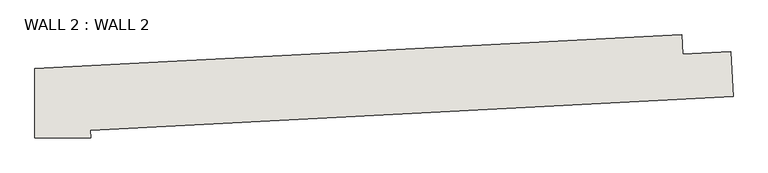
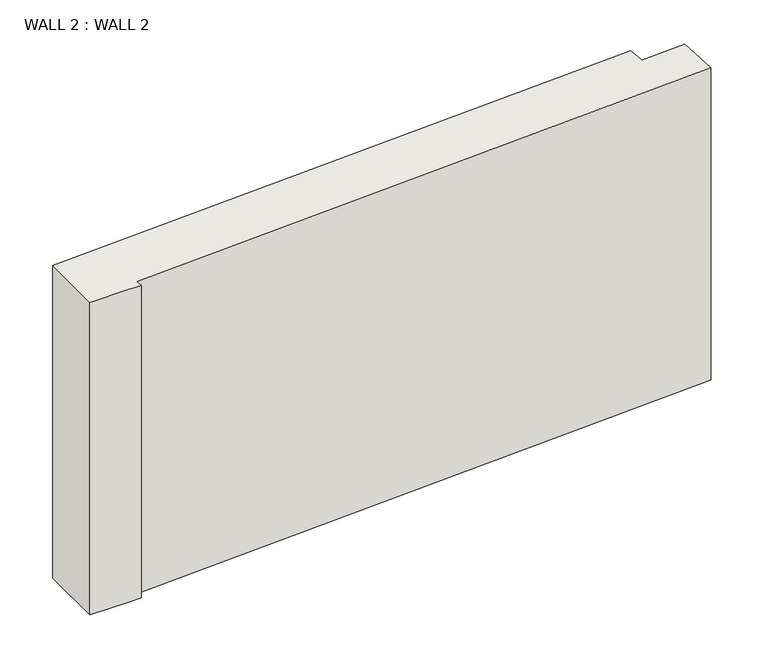
"""IFC4 building model written with IfcOpenShell, lengths in millimetres: wall geometry, WALL 2 : WALL 2."""

from ifc_helpers import new_model, si_unit, origin, place, context, project, spatial, faceted_brep, source, transform, mapped, element, save


def wall_2_wall_2_0947f33f(model_context):
    return source(origin(), model_context, "Body", "Brep", [
        faceted_brep([(5942.0559655, -23421.6605849, 3810.0), (5942.0559655, -24160.959635, 3810.0), (6380.709899, -24160.959635, 3810.0), (6533.3190445, -24160.959635, 3810.0), (6528.952646, -24077.6437881, 3810.0), (13352.1888052, -23720.0531334, 3810.0), (13326.9314727, -23238.11452, 3810.0), (12819.627669, -23264.7011857, 3810.0), (12808.9930027, -23061.7796643, 3810.0), (5942.0559655, -23421.6605849, 0.0), (12808.9930027, -23061.7796643, 0.0), (12819.627669, -23264.7011857, 0.0), (13326.9314727, -23238.11452, 0.0), (13352.1888052, -23720.0531334, 0.0), (6528.952646, -24077.6437881, 0.0), (6533.3190445, -24160.959635, 0.0), (6380.709899, -24160.959635, 0.0), (5942.0559655, -24160.959635, 0.0)], [[[0, 1, 2, 3, 4, 5, 6, 7, 8]], [[9, 10, 11, 12, 13, 14, 15, 16, 17]], [[1, 0, 9, 17]], [[3, 2, 1, 17, 16, 15]], [[4, 3, 15, 14]], [[5, 4, 14, 13]], [[6, 5, 13, 12]], [[7, 6, 12, 11]], [[8, 7, 11, 10]], [[0, 8, 10, 9]]]),
    ])


if __name__ == "__main__":
    model = new_model("IFC4")
    model_context = context("Model", 3, world=origin())
    ifc_project = project(units=[si_unit("LENGTHUNIT", "METRE", prefix="MILLI")], contexts=[model_context])
    site = spatial("IfcSite", under=ifc_project)
    building = spatial("IfcBuilding", under=site)
    placement = place(None, origin())
    wall_2_wall_2_shape = wall_2_wall_2_0947f33f(model_context)
    element("IfcWall", 1, ObjectType="WALL 2 : WALL 2", at=placement, inside=building, context=model_context, shape_type="MappedRepresentation", body=[
        mapped(wall_2_wall_2_shape, transform((0.0, 0.0, 0.0), x_axis=(1.0, 0.0, 0.0), y_axis=(0.0, 1.0, 0.0), z_axis=(0.0, 0.0, 1.0))),
    ])
    save(model, "model.ifc")
